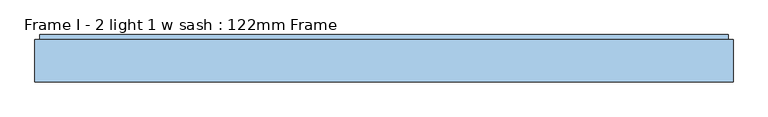
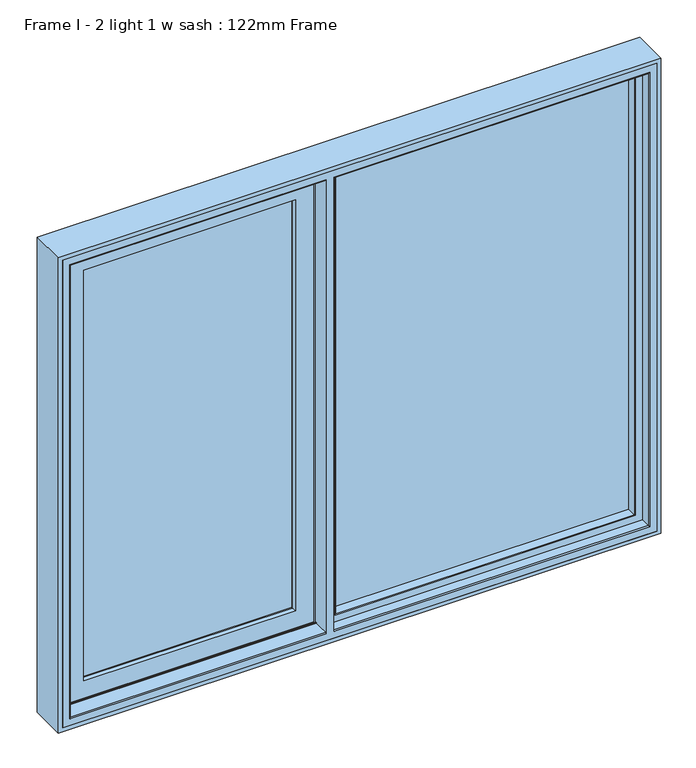
"""IFC4 building model written with IfcOpenShell, lengths in millimetres: window geometry, Frame I - 2 light 1 w sash : 122mm Frame."""

import ifcopenshell
import ifcopenshell.guid

model = None  # the IFC model being written
_history = None  # IfcOwnerHistory: only IFC2X3 demands one
_inside = {}  # id of a spatial element -> (the spatial element, [elements in it])
_under = {}  # id of a project, library or spatial element -> (it, [spatial elements below it])
_declared = {}  # id of a project -> (the project, [libraries it declares])
_typed = {}  # id of a type object -> (the type object, [elements of that type])
_made_of = {}  # id of a material, layer set ... -> (it, [elements and type objects made of it])


def new_model(schema):
    """Start an empty IFC model of exactly this schema.

    Asked for "IFC4X3", IfcOpenShell would pick the latest addendum, in which some entities
    have other attributes; the version numbers below select the first issue.
    IFC2X3 requires an IfcOwnerHistory on every rooted entity: one is made here for all.
    """
    global model, _history
    if schema == "IFC4X3":
        model = ifcopenshell.file(schema_version=(4, 3, 0, 0))
    else:
        model = ifcopenshell.file(schema=schema)
    _inside.clear()
    _under.clear()
    _declared.clear()
    _typed.clear()
    _made_of.clear()
    _history = None
    if model.schema == "IFC2X3":
        org = make("IfcOrganization", Name="unknown")
        user = make(
            "IfcPersonAndOrganization",
            ThePerson=make("IfcPerson", FamilyName="unknown"),
            TheOrganization=org,
        )
        app = make(
            "IfcApplication",
            ApplicationDeveloper=org,
            Version="unknown",
            ApplicationFullName="unknown",
            ApplicationIdentifier="unknown",
        )
        _history = make(
            "IfcOwnerHistory",
            OwningUser=user,
            OwningApplication=app,
            ChangeAction="ADDED",
            CreationDate=0,
        )
    return model


def make(cls, **values):
    """One entity of the class cls with the attributes given. An attribute that is None is left unset."""
    return model.create_entity(
        cls, **{name: value for name, value in values.items() if value is not None}
    )


def rooted(cls, **values):
    """An entity with a GlobalId (a new one), such as an element, a storey or a relation."""
    return make(cls, GlobalId=ifcopenshell.guid.new(), OwnerHistory=_history, **values)


def si_unit(unit_type, name, prefix=None):
    """IfcSIUnit, for example si_unit("LENGTHUNIT", "METRE", prefix="MILLI")."""
    return make("IfcSIUnit", UnitType=unit_type, Prefix=prefix, Name=name)


def assignment(units):
    """IfcUnitAssignment: the units of a project."""
    return None if units is None else make("IfcUnitAssignment", Units=units)


def point(xyz):
    """IfcCartesianPoint."""
    return None if xyz is None else make("IfcCartesianPoint", Coordinates=xyz)


def direction(xyz):
    """IfcDirection."""
    return None if xyz is None else make("IfcDirection", DirectionRatios=xyz)


def frame(location, z_axis=None, x_axis=None):
    """IfcAxis2Placement3D, a coordinate frame: its origin and axes. An axis left out is left unset."""
    return make(
        "IfcAxis2Placement3D",
        Location=point(location),
        Axis=direction(z_axis),
        RefDirection=direction(x_axis),
    )


def origin():
    """The frame at (0, 0, 0) with its axes left unset."""
    return frame((0.0, 0.0, 0.0))


def place(relative_to, where):
    """IfcLocalPlacement: puts the frame where relative to a parent placement (None: the world)."""
    return make(
        "IfcLocalPlacement", PlacementRelTo=relative_to, RelativePlacement=where
    )


def context(
    kind, dimensions, precision=None, world=None, true_north=None, identifier=None
):
    """IfcGeometricRepresentationContext, for example the 3D "Model" context."""
    return make(
        "IfcGeometricRepresentationContext",
        ContextIdentifier=identifier,
        ContextType=kind,
        CoordinateSpaceDimension=dimensions,
        Precision=precision,
        WorldCoordinateSystem=world,
        TrueNorth=true_north,
    )


def project(units=None, contexts=None):
    """IfcProject with its units and contexts."""
    return rooted(
        "IfcProject",
        Name="project",
        RepresentationContexts=contexts,
        UnitsInContext=assignment(units),
    )


def spatial(cls, under=None, at=None, **own):
    """A site, building, storey or space (cls), placed at a placement, below another one or the project."""
    s = rooted(cls, ObjectPlacement=at, **own)
    if under is not None:
        _under.setdefault(under.id(), (under, []))[1].append(s)
    return s


def polyline(points):
    """IfcPolyline through the points."""
    return make("IfcPolyline", Points=[point(p) for p in points])


def circle_curve(where, radius):
    """IfcCircle in the frame where."""
    return make("IfcCircle", Position=where, Radius=radius)


def ellipse_curve(where, semi_axis1, semi_axis2):
    """IfcEllipse in the frame where."""
    return make(
        "IfcEllipse", Position=where, SemiAxis1=semi_axis1, SemiAxis2=semi_axis2
    )


def outline(outer, holes=None, kind="AREA"):
    """IfcArbitraryClosedProfileDef: a profile drawn as a closed curve; with holes, ...WithVoids."""
    if holes is None:
        return make("IfcArbitraryClosedProfileDef", ProfileType=kind, OuterCurve=outer)
    return make(
        "IfcArbitraryProfileDefWithVoids",
        ProfileType=kind,
        OuterCurve=outer,
        InnerCurves=holes,
    )


def extrude(swept, where, along, depth):
    """IfcExtrudedAreaSolid: the profile swept, set in the frame where, extruded along a direction by depth."""
    return make(
        "IfcExtrudedAreaSolid",
        SweptArea=swept,
        Position=where,
        ExtrudedDirection=direction(along),
        Depth=depth,
    )


def shape(context_of_items, identifier, shape_type, items):
    """IfcShapeRepresentation: the items that make up one representation, for example the "Body"."""
    return make(
        "IfcShapeRepresentation",
        ContextOfItems=context_of_items,
        RepresentationIdentifier=identifier,
        RepresentationType=shape_type,
        Items=items,
    )


def source(mapping_origin, context_of_items, identifier, shape_type, items):
    """IfcRepresentationMap: a shape defined once, which mapped items show again and again."""
    return make(
        "IfcRepresentationMap",
        MappingOrigin=mapping_origin,
        MappedRepresentation=shape(context_of_items, identifier, shape_type, items),
    )


def transform(
    local_origin,
    x_axis=None,
    y_axis=None,
    z_axis=None,
    scale=None,
    scale2=None,
    scale3=None,
    uniform=True,
):
    """IfcCartesianTransformationOperator3D, or its non-uniform kind. x_axis, y_axis, z_axis: its Axis1, 2, 3."""
    if uniform:
        return make(
            "IfcCartesianTransformationOperator3D",
            Axis1=direction(x_axis),
            Axis2=direction(y_axis),
            LocalOrigin=point(local_origin),
            Scale=scale,
            Axis3=direction(z_axis),
        )
    return make(
        "IfcCartesianTransformationOperator3DnonUniform",
        Axis1=direction(x_axis),
        Axis2=direction(y_axis),
        LocalOrigin=point(local_origin),
        Scale=scale,
        Axis3=direction(z_axis),
        Scale2=scale2,
        Scale3=scale3,
    )


def mapped(mapping_source, mapping_target):
    """IfcMappedItem: shows the shape of a source again, moved by a transform."""
    return make(
        "IfcMappedItem", MappingSource=mapping_source, MappingTarget=mapping_target
    )


def made_of(thing, what):
    """Note that an element or type object is made of a material, layer set ...; save() writes the relation."""
    if what is not None:
        _made_of.setdefault(what.id(), (what, []))[1].append(thing)
    return thing


def element(
    cls,
    number,
    at=None,
    inside=None,
    cuts=None,
    type_object=None,
    material=None,
    context=None,
    identifier="Body",
    shape_type=None,
    held_by="IfcProductDefinitionShape",
    body=None,
    shapes=None,
    **own,
):
    """One element of the class cls, such as IfcWall. Its Tag is "e" and its number.

    at: its placement. inside: the storey or other place that contains it. cuts: it is an
    opening in that element (IfcRelVoidsElement). A single representation is given by context,
    identifier, shape_type and body (its items); several are given by shapes. held_by: the class
    of the entity that holds the representations. save() writes the other relations.
    """
    e = rooted(cls, Tag="e%d" % number, ObjectPlacement=at, **own)
    if body is not None:
        shapes = [shape(context, identifier, shape_type, body)]
    if shapes is not None:
        e.Representation = make(held_by, Representations=shapes)
    if inside is not None:
        _inside.setdefault(inside.id(), (inside, []))[1].append(e)
    if cuts is not None:
        rooted(
            "IfcRelVoidsElement", RelatingBuildingElement=cuts, RelatedOpeningElement=e
        )
    if type_object is not None:
        _typed.setdefault(type_object.id(), (type_object, []))[1].append(e)
    return made_of(e, material)


def aggregate(whole, parts):
    """IfcRelAggregates: a whole, such as a stair, and the parts it consists of."""
    return rooted("IfcRelAggregates", RelatingObject=whole, RelatedObjects=parts)


def save(model, path):
    """Write the relations noted so far, then the file.

    IfcRelAggregates (storeys below a building ...), IfcRelContainedInSpatialStructure (elements
    in a storey), IfcRelDefinesByType, IfcRelAssociatesMaterial and IfcRelDeclares: one each for
    every whole, place, type object, material and project.
    """
    for whole, parts in _under.values():
        aggregate(whole, parts)
    for where, things in _inside.values():
        rooted(
            "IfcRelContainedInSpatialStructure",
            RelatedElements=things,
            RelatingStructure=where,
        )
    for kind, things in _typed.values():
        rooted("IfcRelDefinesByType", RelatedObjects=things, RelatingType=kind)
    for what, things in _made_of.values():
        rooted("IfcRelAssociatesMaterial", RelatedObjects=things, RelatingMaterial=what)
    for by, libraries in _declared.values():
        rooted("IfcRelDeclares", RelatingContext=by, RelatedDefinitions=libraries)
    model.write(path)


def plane_surface(at):
    """IfcPlane: the flat surface through the origin of the frame at, square to its z axis."""
    return make("IfcPlane", Position=at)


def cylinder_surface(at, radius):
    """IfcCylindricalSurface: all points at the distance radius from the z axis of the frame at."""
    return make("IfcCylindricalSurface", Position=at, Radius=radius)


def revolved_surface(curve, axis_point, axis_direction):
    """IfcSurfaceOfRevolution: the curve turned about the line through axis_point along axis_direction."""
    return make(
        "IfcSurfaceOfRevolution",
        SweptCurve=make("IfcArbitraryOpenProfileDef", ProfileType="CURVE", Curve=curve),
        AxisPosition=make("IfcAxis1Placement", Location=point(axis_point), Axis=direction(axis_direction)),
    )


def advanced_brep(points, edges, surfaces, faces):
    """IfcAdvancedBrep: a solid bounded by faces that lie on surfaces and meet in shared edges.

    An edge is (start, end): straight between two places in points (the first is 0);
    or (start, end, curve); or (start, end, curve, False) where it runs against its curve.
    A face is (place in surfaces, loops), or (place, loops, False) where it looks against
    its surface's normal. A loop lists edges by number (the first is 1), with a minus sign
    where the edge is run from its end to its start. The first loop is the outer one.
    """
    corners = [point(p) for p in points]
    vertices = [make("IfcVertexPoint", VertexGeometry=c) for c in corners]
    made = []
    for start, end, *more in edges:
        made.append(
            make(
                "IfcEdgeCurve",
                EdgeStart=vertices[start],
                EdgeEnd=vertices[end],
                EdgeGeometry=more[0] if more else make("IfcPolyline", Points=[corners[start], corners[end]]),
                SameSense=more[1] if len(more) > 1 else True,
            )
        )
    hull = []
    for where, loops, *sense in faces:
        bounds = []
        for j, loop in enumerate(loops):
            ring = [make("IfcOrientedEdge", EdgeElement=made[abs(k) - 1], Orientation=k > 0) for k in loop]
            bounds.append(
                make(
                    "IfcFaceOuterBound" if j == 0 else "IfcFaceBound",
                    Bound=make("IfcEdgeLoop", EdgeList=ring),
                    Orientation=True,
                )
            )
        hull.append(make("IfcAdvancedFace", Bounds=bounds, FaceSurface=surfaces[where], SameSense=sense[0] if sense else True))
    return make("IfcAdvancedBrep", Outer=make("IfcClosedShell", CfsFaces=hull))


def frame_i_2_light_1_w_sash_122mm_frame_d89b4c98(model_context):
    return source(origin(), model_context, "Body", "SolidModel", [
        extrude(outline(polyline([(-809.6, 141.0), (-154.0, 141.0), (-154.0, 93.0), (-809.6, 93.0), (-809.6, 141.0)])), frame((0.0, 0.0, 890.0), z_axis=(0.0, 0.0, 1.0), x_axis=(1.0, 0.0, 0.0)), (0.0, 0.0, 1.0), 1319.6),
        advanced_brep(
        [(-131.6001533, 153.0, 2232.3998467), (-131.6001533, 148.4070391, 2232.3998467), (-131.6001533, 148.4070391, 867.6001533), (-131.6001533, 153.0, 867.6001533), (-126.3260611, 139.5531262, 2237.6739389), (-126.3260611, 139.5531262, 862.3260611), (-832.3998467, 148.4070391, 867.6001533), (-832.3998467, 153.0, 867.6001533), (-832.3998467, 153.0, 2232.3998467), (-151.0368924, 153.0, 2212.9631076), (-812.9631076, 153.0, 2212.9631076), (-812.9631076, 153.0, 887.0368924), (-151.0368924, 153.0, 887.0368924), (-124.4866045, 139.5531262, 860.4866045), (-839.5133955, 139.5531262, 860.4866045), (-839.5133955, 139.5531262, 2239.5133955), (-124.4866045, 139.5531262, 2239.5133955), (-837.6739389, 139.5531262, 2237.6739389), (-837.6739389, 139.5531262, 862.3260611), (-124.4866045, 121.0, 2239.5133955), (-124.4866045, 121.0, 860.4866045), (-114.4866045, 121.0, 850.4866045), (-849.5133955, 121.0, 850.4866045), (-849.5133955, 121.0, 2249.5133955), (-114.4866045, 121.0, 2249.5133955), (-839.5133955, 121.0, 2239.5133955), (-839.5133955, 121.0, 860.4866045), (-114.4866045, 88.5, 2249.5133955), (-114.4866045, 88.5, 850.4866045), (-103.7023001, 88.5, 839.7023), (-860.2977, 88.5, 839.7023), (-860.2977, 88.5, 2260.2977), (-103.7023001, 88.5, 2260.2977), (-849.5133955, 88.5, 2249.5133955), (-849.5133955, 88.5, 850.4866045), (-103.7023001, 83.5, 2260.2977), (-103.7023001, 83.5, 839.7023), (-860.2977, 83.5, 2260.2977), (-860.2977, 83.5, 839.7023), (-110.5, 83.5, 846.5), (-853.5, 83.5, 846.5), (-853.5, 83.5, 2253.5), (-110.5, 83.5, 2253.5), (-110.5, 78.0, 2253.5), (-110.5, 78.0, 846.5), (-853.5, 78.0, 2253.5), (-853.5, 78.0, 846.5), (-165.6842184, 78.0, 901.6842184), (-798.3157816, 78.0, 901.6842184), (-798.3157816, 78.0, 2198.3157816), (-165.6842184, 78.0, 2198.3157816), (-167.9996933, 88.8934531, 2196.0003067), (-167.9996933, 88.8934531, 903.9996933), (-167.9996933, 93.0, 2196.0003067), (-167.9996933, 93.0, 903.9996933), (-796.0003067, 88.8934531, 903.9996933), (-154.0, 93.0, 890.0), (-810.0, 93.0, 890.0), (-810.0, 93.0, 2210.0), (-154.0, 93.0, 2210.0), (-796.0003067, 93.0, 2196.0003067), (-796.0003067, 93.0, 903.9996933), (-154.0, 141.0, 2210.0), (-154.0, 141.0, 890.0), (-810.0, 141.0, 2210.0), (-810.0, 141.0, 890.0), (-168.4121514, 141.0, 904.4121514), (-795.5878486, 141.0, 904.4121514), (-795.5878486, 141.0, 2195.5878486), (-168.4121514, 141.0, 2195.5878486), (-164.7433832, 153.0, 2199.2566168), (-164.7433832, 153.0, 900.7433832), (-157.9650956, 153.0, 893.9650956), (-806.0349044, 153.0, 893.9650956), (-806.0349044, 153.0, 2206.0349044), (-157.9650956, 153.0, 2206.0349044), (-799.2566168, 153.0, 2199.2566168), (-799.2566168, 153.0, 900.7433832), (-156.6660575, 152.25, 2207.3339425), (-156.6660575, 152.25, 892.6660575), (-152.3359305, 152.25, 2211.6640695), (-152.3359305, 152.25, 888.3359305), (-807.3339425, 152.25, 892.6660575), (-811.6640695, 152.25, 888.3359305), (-832.3998467, 148.4070391, 2232.3998467), (-796.0003067, 88.8934531, 2196.0003067), (-807.3339425, 152.25, 2207.3339425), (-811.6640695, 152.25, 2211.6640695)],
        [
            (0, 1),
            (1, 2),
            (2, 3),
            (3, 0),
            (1, 4),
            (4, 5),
            (5, 2),
            (2, 6),
            (6, 7),
            (7, 3),
            (7, 8),
            (8, 0),
            (9, 10),
            (10, 11),
            (11, 12),
            (12, 9),
            (13, 14),
            (14, 15),
            (15, 16),
            (16, 13),
            (4, 17),
            (17, 18),
            (18, 5),
            (18, 6),
            (16, 19),
            (19, 20),
            (20, 13),
            (21, 22),
            (22, 23),
            (23, 24),
            (24, 21),
            (19, 25),
            (25, 26),
            (26, 20),
            (26, 14),
            (24, 27),
            (27, 28),
            (28, 21),
            (29, 30),
            (30, 31),
            (31, 32),
            (32, 29),
            (27, 33),
            (33, 34),
            (34, 28),
            (34, 22),
            (32, 35),
            (35, 36),
            (36, 29),
            (35, 37),
            (37, 38),
            (38, 36),
            (39, 40),
            (40, 41),
            (41, 42),
            (42, 39),
            (38, 30),
            (42, 43),
            (43, 44),
            (44, 39),
            (43, 45),
            (45, 46),
            (46, 44),
            (47, 48),
            (48, 49),
            (49, 50),
            (50, 47),
            (46, 40),
            (50, 51),
            (51, 52),
            (52, 47),
            (51, 53),
            (53, 54),
            (54, 52),
            (52, 55),
            (55, 48),
            (56, 57),
            (57, 58),
            (58, 59),
            (59, 56),
            (53, 60),
            (60, 61),
            (61, 54),
            (61, 55),
            (59, 62),
            (62, 63),
            (63, 56),
            (62, 64),
            (64, 65),
            (65, 63),
            (66, 67),
            (67, 68),
            (68, 69),
            (69, 66),
            (65, 57),
            (69, 70),
            (70, 71),
            (71, 66),
            (72, 73),
            (73, 74),
            (74, 75),
            (75, 72),
            (70, 76),
            (76, 77),
            (77, 71),
            (77, 67),
            (75, 78, ellipse_curve(frame((-157.9650956, 151.5, 2206.0349044), z_axis=(0.7071067811865475, 0.0, -0.7071067811865475), x_axis=(0.7071067811865474, 0.0, 0.7071067811865476)), 2.1213203, 1.5)),
            (78, 79),
            (79, 72, ellipse_curve(frame((-157.9650956, 151.5, 893.9650956), z_axis=(0.7071067811865475, 0.0, 0.7071067811865475), x_axis=(-0.7071067811865474, 0.0, 0.7071067811865476)), 2.1213203, 1.5)),
            (78, 80, ellipse_curve(frame((-154.500994, 153.5, 2209.499006), z_axis=(-0.7071067811865475, 0.0, 0.7071067811865475), x_axis=(-0.7071067811865474, 0.0, -0.7071067811865476)), 3.5355339, 2.5)),
            (80, 81),
            (81, 79, ellipse_curve(frame((-154.500994, 153.5, 890.500994), z_axis=(-0.7071067811865475, 0.0, -0.7071067811865475), x_axis=(0.7071067811865474, 0.0, -0.7071067811865476)), 3.5355339, 2.5)),
            (79, 82),
            (82, 73, ellipse_curve(frame((-806.0349044, 151.5, 893.9650956), z_axis=(0.7071067811865475, 0.0, -0.7071067811865475), x_axis=(0.7071067811865476, 0.0, 0.7071067811865474)), 2.1213203, 1.5)),
            (80, 9, ellipse_curve(frame((-151.0368924, 151.5, 2212.9631076), z_axis=(0.7071067811865475, 0.0, -0.7071067811865475), x_axis=(0.7071067811865474, 0.0, 0.7071067811865476)), 2.1213203, 1.5)),
            (12, 81, ellipse_curve(frame((-151.0368924, 151.5, 887.0368924), z_axis=(0.7071067811865475, 0.0, 0.7071067811865475), x_axis=(-0.7071067811865474, 0.0, 0.7071067811865476)), 2.1213203, 1.5)),
            (81, 83),
            (83, 82, ellipse_curve(frame((-809.499006, 153.5, 890.500994), z_axis=(-0.7071067811865475, 0.0, 0.7071067811865475), x_axis=(-0.7071067811865476, 0.0, -0.7071067811865474)), 3.5355339, 2.5)),
            (11, 83, ellipse_curve(frame((-812.9631076, 151.5, 887.0368924), z_axis=(0.7071067811865475, 0.0, -0.7071067811865475), x_axis=(0.7071067811865476, 0.0, 0.7071067811865474)), 2.1213203, 1.5)),
            (6, 84),
            (84, 8),
            (17, 84),
            (25, 15),
            (33, 23),
            (37, 31),
            (45, 41),
            (55, 85),
            (85, 49),
            (60, 85),
            (64, 58),
            (76, 68),
            (82, 86),
            (86, 74, ellipse_curve(frame((-806.0349044, 151.5, 2206.0349044), z_axis=(-0.7071067811865475, 0.0, -0.7071067811865475), x_axis=(0.7071067811865474, 0.0, -0.7071067811865476)), 2.1213203, 1.5)),
            (83, 87),
            (87, 86, ellipse_curve(frame((-809.499006, 153.5, 2209.499006), z_axis=(0.7071067811865475, 0.0, 0.7071067811865475), x_axis=(-0.7071067811865474, 0.0, 0.7071067811865476)), 3.5355339, 2.5)),
            (10, 87, ellipse_curve(frame((-812.9631076, 151.5, 2212.9631076), z_axis=(-0.7071067811865475, 0.0, -0.7071067811865475), x_axis=(0.7071067811865474, 0.0, -0.7071067811865476)), 2.1213203, 1.5)),
            (84, 1),
            (85, 51),
            (86, 78),
            (87, 80),
        ],
        [
            plane_surface(frame((-131.6001533, 148.4070391, 2232.3998467), z_axis=(1.0, 0.0, 0.0), x_axis=(0.0, 0.0, -1.0))),
            plane_surface(frame((-126.3260611, 139.5531262, 2237.6739389), z_axis=(0.8591262587254928, 0.5117636872310675, 0.0), x_axis=(0.0, 0.0, -1.0))),
            plane_surface(frame((-131.6001533, 148.4070391, 867.6001533), z_axis=(0.0, 0.0, -1.0), x_axis=(-1.0, 0.0, 0.0))),
            plane_surface(frame((-832.3998467, 153.0, 2232.3998467), z_axis=(0.0, 1.0, 0.0), x_axis=(1.0, 0.0, 0.0))),
            plane_surface(frame((-839.5133955, 139.5531262, 2239.5133955), z_axis=(0.0, 1.0, 0.0), x_axis=(1.0, 0.0, 0.0))),
            plane_surface(frame((-126.3260611, 139.5531262, 862.3260611), z_axis=(0.0, 0.5117636872310675, -0.8591262587254928), x_axis=(-1.0, 0.0, 0.0))),
            plane_surface(frame((-124.4866045, 121.0, 2239.5133955), z_axis=(1.0, 0.0, 0.0), x_axis=(0.0, 0.0, -1.0))),
            plane_surface(frame((-849.5133955, 121.0, 2249.5133955), z_axis=(0.0, 1.0, 0.0), x_axis=(1.0, 0.0, 0.0))),
            plane_surface(frame((-124.4866045, 121.0, 860.4866045), z_axis=(0.0, 0.0, -1.0), x_axis=(-1.0, 0.0, 0.0))),
            plane_surface(frame((-114.4866045, 88.5, 2249.5133955), z_axis=(1.0, 0.0, 0.0), x_axis=(0.0, 0.0, -1.0))),
            plane_surface(frame((-860.2977, 88.5, 2260.2977), z_axis=(0.0, 1.0, 0.0), x_axis=(1.0, 0.0, 0.0))),
            plane_surface(frame((-114.4866045, 88.5, 850.4866045), z_axis=(0.0, 0.0, -1.0), x_axis=(-1.0, 0.0, 0.0))),
            plane_surface(frame((-103.7023001, 83.5, 2260.2977), z_axis=(1.0, 0.0, 0.0), x_axis=(0.0, 0.0, -1.0))),
            plane_surface(frame((-853.5, 83.5, 2253.5), z_axis=(0.0, -1.0, 0.0), x_axis=(1.0, 0.0, 0.0))),
            plane_surface(frame((-103.7023001, 83.5, 839.7023), z_axis=(0.0, 0.0, -1.0), x_axis=(-1.0, 0.0, 0.0))),
            plane_surface(frame((-110.5, 78.0, 2253.5), z_axis=(1.0, 0.0, 0.0), x_axis=(0.0, 0.0, -1.0))),
            plane_surface(frame((-798.3157816, 78.0, 2198.3157816), z_axis=(0.0, -1.0, 0.0), x_axis=(1.0, 0.0, 0.0))),
            plane_surface(frame((-110.5, 78.0, 846.5), z_axis=(0.0, 0.0, -1.0), x_axis=(-1.0, 0.0, 0.0))),
            plane_surface(frame((-167.9996933, 88.8934531, 2196.0003067), z_axis=(-0.9781476007338059, -0.20791169081775832, 0.0), x_axis=(0.0, 0.0, -1.0))),
            plane_surface(frame((-167.9996933, 93.0, 2196.0003067), z_axis=(-1.0, 0.0, 0.0), x_axis=(0.0, 0.0, -1.0))),
            plane_surface(frame((-167.9996933, 88.8934531, 903.9996933), z_axis=(0.0, -0.20791169081775832, 0.9781476007338059), x_axis=(-1.0, 0.0, 0.0))),
            plane_surface(frame((-810.0, 93.0, 2210.0), z_axis=(0.0, 1.0, 0.0), x_axis=(1.0, 0.0, 0.0))),
            plane_surface(frame((-167.9996933, 93.0, 903.9996933), z_axis=(0.0, 0.0, 1.0), x_axis=(-1.0, 0.0, 0.0))),
            plane_surface(frame((-154.0, 141.0, 2210.0), z_axis=(-1.0, 0.0, 0.0), x_axis=(0.0, 0.0, -1.0))),
            plane_surface(frame((-795.5878486, 141.0, 2195.5878486), z_axis=(0.0, -1.0, 0.0), x_axis=(1.0, 0.0, 0.0))),
            plane_surface(frame((-154.0, 141.0, 890.0), z_axis=(0.0, 0.0, 1.0), x_axis=(-1.0, 0.0, 0.0))),
            plane_surface(frame((-164.7433832, 153.0, 2199.2566168), z_axis=(-0.9563047559629767, 0.29237170472292917, 0.0), x_axis=(0.0, 0.0, -1.0))),
            plane_surface(frame((-806.0349044, 153.0, 2206.0349044), z_axis=(0.0, 1.0, 0.0), x_axis=(1.0, 0.0, 0.0))),
            plane_surface(frame((-164.7433832, 153.0, 900.7433832), z_axis=(0.0, 0.29237170472292917, 0.9563047559629767), x_axis=(-1.0, 0.0, 0.0))),
            cylinder_surface(frame((-157.9650956, 151.5, 2237.6), z_axis=(0.0, 0.0, 1.0), x_axis=(0.0, 1.0, 0.0)), 1.5),
            revolved_surface(polyline([(-154.500994, 156.0, 888.000994004195), (-154.500994, 156.0, 2211.999005995805)]), (-154.500994, 153.5, 2237.6), (0.0, 0.0, -1.0)),
            cylinder_surface(frame((-126.4, 151.5, 893.9650956), z_axis=(1.0, 0.0, 0.0), x_axis=(0.0, 1.0, 0.0)), 1.5),
            cylinder_surface(frame((-151.0368924, 151.5, 2237.6), z_axis=(0.0, 0.0, 1.0), x_axis=(0.0, 1.0, 0.0)), 1.5),
            revolved_surface(polyline([(-811.999005995805, 156.0, 890.500994), (-152.00099400419506, 156.0, 890.500994)]), (-126.4, 153.5, 890.500994), (-1.0, 0.0, 0.0)),
            cylinder_surface(frame((-126.4, 151.5, 887.0368924), z_axis=(1.0, 0.0, 0.0), x_axis=(0.0, 1.0, 0.0)), 1.5),
            plane_surface(frame((-832.3998467, 148.4070391, 867.6001533), z_axis=(-1.0, 0.0, 0.0), x_axis=(0.0, 0.0, 1.0))),
            plane_surface(frame((-837.6739389, 139.5531262, 862.3260611), z_axis=(-0.8591262587254928, 0.5117636872310675, 0.0), x_axis=(0.0, 0.0, 1.0))),
            plane_surface(frame((-839.5133955, 121.0, 860.4866045), z_axis=(-1.0, 0.0, 0.0), x_axis=(0.0, 0.0, 1.0))),
            plane_surface(frame((-849.5133955, 88.5, 850.4866045), z_axis=(-1.0, 0.0, 0.0), x_axis=(0.0, 0.0, 1.0))),
            plane_surface(frame((-860.2977, 83.5, 839.7023), z_axis=(-1.0, 0.0, 0.0), x_axis=(0.0, 0.0, 1.0))),
            plane_surface(frame((-853.5, 78.0, 846.5), z_axis=(-1.0, 0.0, 0.0), x_axis=(0.0, 0.0, 1.0))),
            plane_surface(frame((-796.0003067, 88.8934531, 903.9996933), z_axis=(0.9781476007338059, -0.20791169081775832, 0.0), x_axis=(0.0, 0.0, 1.0))),
            plane_surface(frame((-796.0003067, 93.0, 903.9996933), z_axis=(1.0, 0.0, 0.0), x_axis=(0.0, 0.0, 1.0))),
            plane_surface(frame((-810.0, 141.0, 890.0), z_axis=(1.0, 0.0, 0.0), x_axis=(0.0, 0.0, 1.0))),
            plane_surface(frame((-799.2566168, 153.0, 900.7433832), z_axis=(0.9563047559629767, 0.29237170472292917, 0.0), x_axis=(0.0, 0.0, 1.0))),
            cylinder_surface(frame((-806.0349044, 151.5, 862.4), z_axis=(0.0, 0.0, -1.0), x_axis=(0.0, 1.0, 0.0)), 1.5),
            revolved_surface(polyline([(-809.499006, 156.0, 2211.999005995805), (-809.499006, 156.0, 888.000994004195)]), (-809.499006, 153.5, 862.4), (0.0, 0.0, 1.0)),
            cylinder_surface(frame((-812.9631076, 151.5, 862.4), z_axis=(0.0, 0.0, -1.0), x_axis=(0.0, 1.0, 0.0)), 1.5),
            plane_surface(frame((-832.3998467, 148.4070391, 2232.3998467), z_axis=(0.0, 0.0, 1.0), x_axis=(1.0, 0.0, 0.0))),
            plane_surface(frame((-837.6739389, 139.5531262, 2237.6739389), z_axis=(0.0, 0.5117636872310675, 0.8591262587254928), x_axis=(1.0, 0.0, 0.0))),
            plane_surface(frame((-839.5133955, 121.0, 2239.5133955), z_axis=(0.0, 0.0, 1.0), x_axis=(1.0, 0.0, 0.0))),
            plane_surface(frame((-849.5133955, 88.5, 2249.5133955), z_axis=(0.0, 0.0, 1.0), x_axis=(1.0, 0.0, 0.0))),
            plane_surface(frame((-860.2977, 83.5, 2260.2977), z_axis=(0.0, 0.0, 1.0), x_axis=(1.0, 0.0, 0.0))),
            plane_surface(frame((-853.5, 78.0, 2253.5), z_axis=(0.0, 0.0, 1.0), x_axis=(1.0, 0.0, 0.0))),
            plane_surface(frame((-796.0003067, 88.8934531, 2196.0003067), z_axis=(0.0, -0.20791169081775832, -0.9781476007338059), x_axis=(1.0, 0.0, 0.0))),
            plane_surface(frame((-796.0003067, 93.0, 2196.0003067), z_axis=(0.0, 0.0, -1.0), x_axis=(1.0, 0.0, 0.0))),
            plane_surface(frame((-810.0, 141.0, 2210.0), z_axis=(0.0, 0.0, -1.0), x_axis=(1.0, 0.0, 0.0))),
            plane_surface(frame((-799.2566168, 153.0, 2199.2566168), z_axis=(0.0, 0.29237170472292917, -0.9563047559629767), x_axis=(1.0, 0.0, 0.0))),
            cylinder_surface(frame((-837.6, 151.5, 2206.0349044), z_axis=(-1.0, 0.0, 0.0), x_axis=(0.0, 1.0, 0.0)), 1.5),
            revolved_surface(polyline([(-152.00099400419504, 156.0, 2209.499006), (-811.999005995805, 156.0, 2209.499006)]), (-837.6, 153.5, 2209.499006), (1.0, 0.0, 0.0)),
            cylinder_surface(frame((-837.6, 151.5, 2212.9631076), z_axis=(-1.0, 0.0, 0.0), x_axis=(0.0, 1.0, 0.0)), 1.5),
        ],
        [
            (0, [[1, 2, 3, 4]]),
            (1, [[5, 6, 7, -2]]),
            (2, [[-3, 8, 9, 10]]),
            (3, [[-10, 11, 12, -4], [13, 14, 15, 16]]),
            (4, [[17, 18, 19, 20], [21, 22, 23, -6]]),
            (5, [[-7, -23, 24, -8]]),
            (6, [[25, 26, 27, -20]]),
            (7, [[28, 29, 30, 31], [32, 33, 34, -26]]),
            (8, [[-27, -34, 35, -17]]),
            (9, [[36, 37, 38, -31]]),
            (10, [[39, 40, 41, 42], [43, 44, 45, -37]]),
            (11, [[-38, -45, 46, -28]]),
            (12, [[47, 48, 49, -42]]),
            (13, [[50, 51, 52, -48], [53, 54, 55, 56]]),
            (14, [[-49, -52, 57, -39]]),
            (15, [[58, 59, 60, -56]]),
            (16, [[61, 62, 63, -59], [64, 65, 66, 67]]),
            (17, [[-60, -63, 68, -53]]),
            (18, [[69, 70, 71, -67]]),
            (19, [[72, 73, 74, -70]]),
            (20, [[-71, 75, 76, -64]]),
            (21, [[77, 78, 79, 80], [81, 82, 83, -73]]),
            (22, [[-74, -83, 84, -75]]),
            (23, [[85, 86, 87, -80]]),
            (24, [[88, 89, 90, -86], [91, 92, 93, 94]]),
            (25, [[-87, -90, 95, -77]]),
            (26, [[96, 97, 98, -94]]),
            (27, [[99, 100, 101, 102], [103, 104, 105, -97]]),
            (28, [[-98, -105, 106, -91]]),
            (29, [[107, 108, 109, -102]]),
            (30, [[110, 111, 112, -108]]),
            (31, [[-109, 113, 114, -99]]),
            (32, [[115, -16, 116, -111]]),
            (33, [[-112, 117, 118, -113]]),
            (34, [[-116, -15, 119, -117]]),
            (35, [[-9, 120, 121, -11]]),
            (36, [[-24, -22, 122, -120]]),
            (37, [[-35, -33, 123, -18]]),
            (38, [[-46, -44, 124, -29]]),
            (39, [[-57, -51, 125, -40]]),
            (40, [[-68, -62, 126, -54]]),
            (41, [[-76, 127, 128, -65]]),
            (42, [[-84, -82, 129, -127]]),
            (43, [[-95, -89, 130, -78]]),
            (44, [[-106, -104, 131, -92]]),
            (45, [[-114, 132, 133, -100]]),
            (46, [[-118, 134, 135, -132]]),
            (47, [[-119, -14, 136, -134]]),
            (48, [[-121, 137, -1, -12]]),
            (49, [[-122, -21, -5, -137]]),
            (50, [[-123, -32, -25, -19]]),
            (51, [[-124, -43, -36, -30]]),
            (52, [[-125, -50, -47, -41]]),
            (53, [[-126, -61, -58, -55]]),
            (54, [[-128, 138, -69, -66]]),
            (55, [[-129, -81, -72, -138]]),
            (56, [[-130, -88, -85, -79]]),
            (57, [[-131, -103, -96, -93]]),
            (58, [[-133, 139, -107, -101]]),
            (59, [[-135, 140, -110, -139]]),
            (60, [[-136, -13, -115, -140]]),
        ],
    ),
        extrude(outline(polyline([(-63.8, 141.0), (852.6, 141.0), (852.6, 93.0), (-63.8, 93.0), (-63.8, 141.0)])), frame((0.0, 0.0, 847.4), z_axis=(0.0, 0.0, 1.0), x_axis=(1.0, 0.0, 0.0)), (0.0, 0.0, 1.0), 1405.2),
        advanced_brep(
        [(840.9078547, 66.2562613, 2240.9078547), (837.8697056, 91.0, 2237.8697056), (837.8697056, 91.0, 862.1302944), (840.9078547, 66.2562613, 859.0921453), (861.5, 91.0, 838.5), (-73.5, 91.0, 838.5), (-73.5, 91.0, 2261.5), (861.5, 91.0, 2261.5), (-49.8697056, 91.0, 2237.8697056), (-49.8697056, 91.0, 862.1302944), (-52.9078547, 66.2562613, 859.0921453), (842.892947, 64.5, 2242.892947), (842.892947, 64.5, 857.107053), (861.5, 82.0, 2261.5), (861.5, 82.0, 838.5), (864.0, 82.0, 836.0), (-76.0, 82.0, 836.0), (-76.0, 82.0, 2264.0), (864.0, 82.0, 2264.0), (-73.5, 82.0, 2261.5), (-73.5, 82.0, 838.5), (864.0, 64.5, 2264.0), (864.0, 64.5, 836.0), (-76.0, 64.5, 2264.0), (-76.0, 64.5, 836.0), (-54.892947, 64.5, 857.107053), (-54.892947, 64.5, 2242.892947), (-52.9078547, 66.2562613, 2240.9078547)],
        [
            (0, 1),
            (1, 2),
            (2, 3),
            (3, 0),
            (4, 5),
            (5, 6),
            (6, 7),
            (7, 4),
            (1, 8),
            (8, 9),
            (9, 2),
            (9, 10),
            (10, 3),
            (11, 0, ellipse_curve(frame((842.892947, 66.5, 2242.892947), z_axis=(0.7071067811865474, 0.0, -0.7071067811865476), x_axis=(0.7071067811865475, 0.0, 0.7071067811865475)), 2.8284271, 2.0)),
            (3, 12, ellipse_curve(frame((842.892947, 66.5, 857.107053), z_axis=(0.7071067811865476, 0.0, 0.7071067811865475), x_axis=(-0.7071067811865475, 0.0, 0.7071067811865476)), 2.8284271, 2.0)),
            (12, 11),
            (7, 13),
            (13, 14),
            (14, 4),
            (15, 16),
            (16, 17),
            (17, 18),
            (18, 15),
            (13, 19),
            (19, 20),
            (20, 14),
            (20, 5),
            (18, 21),
            (21, 22),
            (22, 15),
            (21, 23),
            (23, 24),
            (24, 22),
            (12, 25),
            (25, 26),
            (26, 11),
            (24, 16),
            (10, 25, ellipse_curve(frame((-54.892947, 66.5, 857.107053), z_axis=(0.7071067811865475, 0.0, -0.7071067811865476), x_axis=(0.7071067811865476, 0.0, 0.7071067811865475)), 2.8284271, 2.0)),
            (8, 27),
            (27, 10),
            (19, 6),
            (23, 17),
            (27, 26, ellipse_curve(frame((-54.892947, 66.5, 2242.892947), z_axis=(-0.7071067811865476, 0.0, -0.7071067811865474), x_axis=(0.7071067811865474, 0.0, -0.7071067811865476)), 2.8284271, 2.0)),
            (0, 27),
        ],
        [
            plane_surface(frame((837.8697056, 91.0, 2237.8697056), z_axis=(-0.9925461516413222, -0.12186934340514619, 0.0), x_axis=(0.0, 0.0, -1.0))),
            plane_surface(frame((-73.5, 91.0, 2261.5), z_axis=(0.0, 1.0, 0.0), x_axis=(1.0, 0.0, 0.0))),
            plane_surface(frame((837.8697056, 91.0, 862.1302944), z_axis=(0.0, -0.12186934340514619, 0.9925461516413222), x_axis=(-1.0, 0.0, 0.0))),
            cylinder_surface(frame((842.892947, 66.5, 2237.6), z_axis=(0.0, 0.0, 1.0), x_axis=(0.0, 1.0, 0.0)), 2.0),
            plane_surface(frame((861.5, 82.0, 2261.5), z_axis=(1.0, 0.0, 0.0), x_axis=(0.0, 0.0, -1.0))),
            plane_surface(frame((-76.0, 82.0, 2264.0), z_axis=(0.0, 1.0, 0.0), x_axis=(1.0, 0.0, 0.0))),
            plane_surface(frame((861.5, 82.0, 838.5), z_axis=(0.0, 0.0, -1.0), x_axis=(-1.0, 0.0, 0.0))),
            plane_surface(frame((864.0, 64.5, 2264.0), z_axis=(1.0, 0.0, 0.0), x_axis=(0.0, 0.0, -1.0))),
            plane_surface(frame((-54.892947, 64.5, 2242.892947), z_axis=(0.0, -1.0, 0.0), x_axis=(1.0, 0.0, 0.0))),
            plane_surface(frame((864.0, 64.5, 836.0), z_axis=(0.0, 0.0, -1.0), x_axis=(-1.0, 0.0, 0.0))),
            cylinder_surface(frame((837.6, 66.5, 857.107053), z_axis=(1.0, 0.0, 0.0), x_axis=(0.0, 1.0, 0.0)), 2.0),
            plane_surface(frame((-49.8697056, 91.0, 862.1302944), z_axis=(0.9925461516413222, -0.12186934340514619, 0.0), x_axis=(0.0, 0.0, 1.0))),
            plane_surface(frame((-73.5, 82.0, 838.5), z_axis=(-1.0, 0.0, 0.0), x_axis=(0.0, 0.0, 1.0))),
            plane_surface(frame((-76.0, 64.5, 836.0), z_axis=(-1.0, 0.0, 0.0), x_axis=(0.0, 0.0, 1.0))),
            cylinder_surface(frame((-54.892947, 66.5, 862.4), z_axis=(0.0, 0.0, -1.0), x_axis=(0.0, 1.0, 0.0)), 2.0),
            plane_surface(frame((-49.8697056, 91.0, 2237.8697056), z_axis=(0.0, -0.12186934340514619, -0.9925461516413222), x_axis=(1.0, 0.0, 0.0))),
            plane_surface(frame((-73.5, 82.0, 2261.5), z_axis=(0.0, 0.0, 1.0), x_axis=(1.0, 0.0, 0.0))),
            plane_surface(frame((-76.0, 64.5, 2264.0), z_axis=(0.0, 0.0, 1.0), x_axis=(1.0, 0.0, 0.0))),
            cylinder_surface(frame((-49.6, 66.5, 2242.892947), z_axis=(-1.0, 0.0, 0.0), x_axis=(0.0, 1.0, 0.0)), 2.0),
        ],
        [
            (0, [[1, 2, 3, 4]]),
            (1, [[5, 6, 7, 8], [9, 10, 11, -2]]),
            (2, [[-3, -11, 12, 13]]),
            (3, [[14, -4, 15, 16]]),
            (4, [[17, 18, 19, -8]]),
            (5, [[20, 21, 22, 23], [24, 25, 26, -18]]),
            (6, [[-19, -26, 27, -5]]),
            (7, [[28, 29, 30, -23]]),
            (8, [[31, 32, 33, -29], [34, 35, 36, -16]]),
            (9, [[-30, -33, 37, -20]]),
            (10, [[-15, -13, 38, -34]]),
            (11, [[-12, -10, 39, 40]]),
            (12, [[-27, -25, 41, -6]]),
            (13, [[-37, -32, 42, -21]]),
            (14, [[-38, -40, 43, -35]]),
            (15, [[-39, -9, -1, 44]]),
            (16, [[-41, -24, -17, -7]]),
            (17, [[-42, -31, -28, -22]]),
            (18, [[-43, -44, -14, -36]]),
        ],
    ),
        advanced_brep(
        [(-864.0, 83.0, 2264.0), (-864.0, 35.0, 2264.0), (-864.0, 35.0, 836.0), (-864.0, 83.0, 836.0), (-867.0, 32.0, 2267.0), (-867.0, 32.0, 833.0), (-100.0, 35.0, 836.0), (-100.0, 83.0, 836.0), (864.0, 35.0, 836.0), (864.0, 83.0, 836.0), (-76.0, 83.0, 836.0), (-76.0, 35.0, 836.0), (-100.0, 83.0, 838.0), (-862.0, 83.0, 838.0), (-862.0, 83.0, 2262.0), (-100.0, 83.0, 2262.0), (-100.0, 83.0, 2264.0), (864.0, 83.0, 2264.0), (-76.0, 83.0, 2264.0), (-76.0, 83.0, 2262.0), (862.0, 83.0, 2262.0), (862.0, 83.0, 838.0), (-76.0, 83.0, 838.0), (-862.0, 91.0, 2262.0), (-862.0, 91.0, 838.0), (862.0, 91.0, 838.0), (-76.0, 91.0, 838.0), (-100.0, 91.0, 838.0), (-100.0, 91.0, 2262.0), (-855.7805994, 91.0, 2255.7805994), (-108.2, 91.0, 2255.7805994), (-108.2, 91.0, 844.2194006), (-855.7805994, 91.0, 844.2194006), (862.0, 91.0, 2262.0), (-76.0, 91.0, 2262.0), (855.7805994, 91.0, 844.2194006), (-67.8, 91.0, 844.2194006), (-67.8, 91.0, 2255.7805994), (855.7805994, 91.0, 2255.7805994), (-838.0131086, 143.3877115, 2238.0131086), (-838.0131086, 142.0, 2238.0131086), (-838.0131086, 142.0, 861.9868914), (-838.0131086, 143.3877115, 861.9868914), (-862.2226568, 142.0, 2262.2226568), (-862.2226568, 142.0, 837.7773432), (-101.9379874, 142.0, 837.7773432), (-101.9379874, 142.0, 2262.2226568), (-126.4111574, 142.0, 2238.0131086), (-126.4111574, 142.0, 861.9868914), (862.2226568, 142.0, 837.7773432), (862.2226568, 142.0, 2262.2226568), (-74.0620126, 142.0, 2262.2226568), (-74.0620126, 142.0, 837.7773432), (838.0131086, 142.0, 2238.0131086), (838.0131086, 142.0, 861.9868914), (-49.5888426, 142.0, 861.9868914), (-49.5888426, 142.0, 2238.0131086), (-125.9868914, 143.3877115, 861.9868914), (838.0131086, 143.3877115, 861.9868914), (-50.0131086, 143.3877115, 861.9868914), (-841.2576108, 154.0, 858.7423892), (-841.2576108, 154.0, 2241.2576108), (-122.7423892, 154.0, 858.7423892), (841.2576108, 154.0, 858.7423892), (-53.2576108, 154.0, 858.7423892), (888.0, 154.0, 812.0), (-888.0, 154.0, 812.0), (-888.0, 154.0, 2288.0), (888.0, 154.0, 2288.0), (-122.7423892, 154.0, 2241.2576108), (841.2576108, 154.0, 2241.2576108), (-53.2576108, 154.0, 2241.2576108), (-888.0, 90.5, 2288.0), (-888.0, 90.5, 812.0), (888.0, 90.5, 812.0), (-76.0, 90.5, 812.0), (-76.0, 86.5, 812.0), (888.0, 86.5, 812.0), (888.0, 32.0, 812.0), (-888.0, 32.0, 812.0), (-888.0, 86.5, 812.0), (-100.0, 86.5, 812.0), (-100.0, 90.5, 812.0), (-100.0, 90.5, 819.0), (-881.0, 90.5, 819.0), (-881.0, 90.5, 2281.0), (-100.0, 90.5, 2281.0), (-100.0, 90.5, 2288.0), (888.0, 90.5, 2288.0), (-76.0, 90.5, 2288.0), (-76.0, 90.5, 2281.0), (881.0, 90.5, 2281.0), (881.0, 90.5, 819.0), (-76.0, 90.5, 819.0), (-100.0, 32.0, 833.0), (867.0, 32.0, 833.0), (-76.0, 32.0, 833.0), (-100.0, 86.5, 819.0), (-100.0, 32.0, 2267.0), (-100.0, 35.0, 2264.0), (-100.0, 86.5, 2288.0), (-100.0, 86.5, 2281.0), (864.0, 35.0, 2264.0), (-76.0, 86.5, 819.0), (-76.0, 32.0, 2267.0), (-76.0, 35.0, 2264.0), (-76.0, 86.5, 2288.0), (-76.0, 86.5, 2281.0), (-125.9868914, 143.3877115, 2238.0131086), (838.0131086, 143.3877115, 2238.0131086), (-50.0131086, 143.3877115, 2238.0131086), (-881.0, 86.5, 2281.0), (-881.0, 86.5, 819.0), (-888.0, 86.5, 2288.0), (881.0, 86.5, 819.0), (881.0, 86.5, 2281.0), (888.0, 86.5, 2288.0), (888.0, 32.0, 2288.0), (-888.0, 32.0, 2288.0), (867.0, 32.0, 2267.0)],
        [
            (0, 1),
            (1, 2),
            (2, 3),
            (3, 0),
            (1, 4, ellipse_curve(frame((-867.0, 35.0, 2267.0), z_axis=(-0.7071067811865475, 0.0, -0.7071067811865475), x_axis=(-0.7071067811865474, 0.0, 0.7071067811865476)), 4.2426407, 3.0)),
            (4, 5),
            (5, 2, ellipse_curve(frame((-867.0, 35.0, 833.0), z_axis=(-0.7071067811865475, 0.0, 0.7071067811865475), x_axis=(0.7071067811865474, 0.0, 0.7071067811865476)), 4.2426407, 3.0)),
            (2, 6),
            (6, 7),
            (7, 3),
            (8, 9),
            (9, 10),
            (10, 11),
            (11, 8),
            (7, 12),
            (12, 13),
            (13, 14),
            (14, 15),
            (15, 16),
            (16, 0),
            (9, 17),
            (17, 18),
            (18, 19),
            (19, 20),
            (20, 21),
            (21, 22),
            (22, 10),
            (23, 14),
            (13, 24),
            (24, 23),
            (21, 25),
            (25, 26),
            (26, 22),
            (27, 24),
            (12, 27),
            (27, 28),
            (28, 23),
            (29, 30),
            (30, 31),
            (31, 32),
            (32, 29),
            (25, 33),
            (33, 34),
            (34, 26),
            (35, 36),
            (36, 37),
            (37, 38),
            (38, 35),
            (39, 40),
            (40, 41),
            (41, 42),
            (42, 39),
            (43, 44),
            (44, 45),
            (45, 46),
            (46, 43),
            (40, 47),
            (47, 48),
            (48, 41),
            (49, 50),
            (50, 51),
            (51, 52),
            (52, 49),
            (53, 54),
            (54, 55),
            (55, 56),
            (56, 53),
            (48, 57),
            (57, 42),
            (54, 58),
            (58, 59),
            (59, 55),
            (42, 60),
            (60, 61),
            (61, 39),
            (57, 62),
            (62, 60),
            (58, 63),
            (63, 64),
            (64, 59),
            (65, 66),
            (66, 67),
            (67, 68),
            (68, 65),
            (62, 69),
            (69, 61),
            (70, 71),
            (71, 64),
            (63, 70),
            (72, 67),
            (66, 73),
            (73, 72),
            (65, 74),
            (74, 75),
            (75, 76),
            (76, 77),
            (77, 78),
            (78, 79),
            (79, 80),
            (80, 81),
            (81, 82),
            (82, 73),
            (82, 83),
            (83, 84),
            (84, 85),
            (85, 86),
            (86, 87),
            (87, 72),
            (74, 88),
            (88, 89),
            (89, 90),
            (90, 91),
            (91, 92),
            (92, 93),
            (93, 75),
            (5, 94),
            (94, 6, circle_curve(frame((-100.0, 35.0, 833.0), z_axis=(-1.0, 0.0, 0.0), x_axis=(0.0, 1.0, 0.0)), 3.0)),
            (95, 8, ellipse_curve(frame((867.0, 35.0, 833.0), z_axis=(-0.7071067811865475, 0.0, -0.7071067811865475), x_axis=(-0.7071067811865476, 0.0, 0.7071067811865474)), 4.2426407, 3.0)),
            (11, 96, circle_curve(frame((-76.0, 35.0, 833.0), z_axis=(1.0, 0.0, 0.0), x_axis=(0.0, 1.0, 0.0)), 3.0)),
            (96, 95),
            (81, 97),
            (97, 83),
            (94, 98),
            (98, 99, circle_curve(frame((-100.0, 35.0, 2267.0), z_axis=(1.0, 0.0, 0.0), x_axis=(0.0, 1.0, 0.0)), 3.0)),
            (99, 16),
            (15, 28),
            (100, 87),
            (86, 101),
            (101, 100),
            (8, 102),
            (102, 17),
            (93, 103),
            (103, 76),
            (104, 96),
            (34, 19),
            (18, 105),
            (105, 104, circle_curve(frame((-76.0, 35.0, 2267.0), z_axis=(-1.0, 0.0, 0.0), x_axis=(0.0, 1.0, 0.0)), 3.0)),
            (89, 106),
            (106, 107),
            (107, 90),
            (20, 33),
            (47, 108),
            (108, 69),
            (53, 109),
            (109, 58),
            (71, 110),
            (110, 56),
            (109, 70),
            (68, 88),
            (111, 112),
            (112, 97),
            (80, 113),
            (113, 100),
            (101, 111),
            (114, 115),
            (115, 107),
            (106, 116),
            (116, 77),
            (103, 114),
            (117, 78),
            (116, 117),
            (117, 118),
            (118, 79),
            (4, 98),
            (104, 119),
            (119, 95),
            (118, 113),
            (119, 102, ellipse_curve(frame((867.0, 35.0, 2267.0), z_axis=(0.7071067811865475, 0.0, -0.7071067811865475), x_axis=(-0.7071067811865474, 0.0, -0.7071067811865476)), 4.2426407, 3.0)),
            (49, 35),
            (38, 50),
            (51, 37),
            (36, 52),
            (44, 32),
            (31, 45),
            (43, 29),
            (30, 46),
            (111, 85),
            (84, 112),
            (92, 114),
            (91, 115),
            (99, 1),
            (102, 105),
            (39, 108),
            (110, 109),
        ],
        [
            plane_surface(frame((-864.0, 35.0, 2264.0), z_axis=(1.0, 0.0, 0.0), x_axis=(0.0, 0.0, -1.0))),
            cylinder_surface(frame((-867.0, 35.0, 2288.0), z_axis=(0.0, 0.0, 1.0), x_axis=(0.0, 1.0, 0.0)), 3.0),
            plane_surface(frame((-864.0, 35.0, 836.0), z_axis=(0.0, 0.0, 1.0), x_axis=(1.0, 0.0, 0.0))),
            plane_surface(frame((864.0, 83.0, 2264.0), z_axis=(0.0, -1.0, 0.0), x_axis=(-1.0, 0.0, 0.0))),
            plane_surface(frame((-862.0, 83.0, 2262.0), z_axis=(1.0, 0.0, 0.0), x_axis=(0.0, 0.0, -1.0))),
            plane_surface(frame((-862.0, 83.0, 838.0), z_axis=(0.0, 0.0, 1.0), x_axis=(1.0, 0.0, 0.0))),
            plane_surface(frame((862.0, 91.0, 2262.0), z_axis=(0.0, -1.0, 0.0), x_axis=(-1.0, 0.0, 0.0))),
            plane_surface(frame((-838.0131086, 142.0, 2238.0131086), z_axis=(1.0, 0.0, 0.0), x_axis=(0.0, 0.0, -1.0))),
            plane_surface(frame((862.2226568, 142.0, 2262.2226568), z_axis=(0.0, -1.0, 0.0), x_axis=(-1.0, 0.0, 0.0))),
            plane_surface(frame((-838.0131086, 142.0, 861.9868914), z_axis=(0.0, 0.0, 1.0), x_axis=(1.0, 0.0, 0.0))),
            plane_surface(frame((-838.0131086, 143.3877115, 2238.0131086), z_axis=(0.9563047559629367, 0.29237170472305973, 0.0), x_axis=(0.0, 0.0, -1.0))),
            plane_surface(frame((-838.0131086, 143.3877115, 861.9868914), z_axis=(0.0, 0.29237170472305973, 0.9563047559629367), x_axis=(1.0, 0.0, 0.0))),
            plane_surface(frame((841.2576108, 154.0, 2241.2576108), z_axis=(0.0, 1.0, 0.0), x_axis=(-1.0, 0.0, 0.0))),
            plane_surface(frame((-888.0, 154.0, 2288.0), z_axis=(-1.0, 0.0, 0.0), x_axis=(0.0, 0.0, -1.0))),
            plane_surface(frame((-888.0, 154.0, 812.0), z_axis=(0.0, 0.0, -1.0), x_axis=(1.0, 0.0, 0.0))),
            plane_surface(frame((888.0, 90.5, 2288.0), z_axis=(0.0, -1.0, 0.0), x_axis=(-1.0, 0.0, 0.0))),
            cylinder_surface(frame((-888.0, 35.0, 833.0), z_axis=(-1.0, 0.0, 0.0), x_axis=(0.0, 1.0, 0.0)), 3.0),
            plane_surface(frame((-100.0, 91.0, 2288.0), z_axis=(-1.0, 0.0, 0.0), x_axis=(0.0, 0.0, -1.0))),
            plane_surface(frame((864.0, 35.0, 836.0), z_axis=(-1.0, 0.0, 0.0), x_axis=(0.0, 0.0, 1.0))),
            plane_surface(frame((-76.0, 32.0, 2288.0), z_axis=(1.0, 0.0, 0.0), x_axis=(0.0, 0.0, -1.0))),
            plane_surface(frame((862.0, 83.0, 838.0), z_axis=(-1.0, 0.0, 0.0), x_axis=(0.0, 0.0, 1.0))),
            plane_surface(frame((-122.7423892, 154.0, 2288.0), z_axis=(-0.956304755963141, 0.29237170472239193, 0.0), x_axis=(0.0, 0.0, -1.0))),
            plane_surface(frame((838.0131086, 142.0, 861.9868914), z_axis=(-1.0, 0.0, 0.0), x_axis=(0.0, 0.0, 1.0))),
            plane_surface(frame((-49.5888426, 142.0, 2288.0), z_axis=(0.9563047559631352, 0.2923717047224106, 0.0), x_axis=(0.0, 0.0, -1.0))),
            plane_surface(frame((838.0131086, 143.3877115, 861.9868914), z_axis=(-0.9563047559629367, 0.29237170472305973, 0.0), x_axis=(0.0, 0.0, 1.0))),
            plane_surface(frame((888.0, 154.0, 812.0), z_axis=(1.0, 0.0, 0.0), x_axis=(0.0, 0.0, 1.0))),
            plane_surface(frame((881.0, 86.5, 2281.0), z_axis=(0.0, 1.0, 0.0), x_axis=(-1.0, 0.0, 0.0))),
            plane_surface(frame((888.0, 86.5, 812.0), z_axis=(1.0, 0.0, 0.0), x_axis=(0.0, 0.0, 1.0))),
            plane_surface(frame((888.0, 32.0, 2288.0), z_axis=(0.0, -1.0, 0.0), x_axis=(-1.0, 0.0, 0.0))),
            plane_surface(frame((-888.0, 86.5, 2288.0), z_axis=(-1.0, 0.0, 0.0), x_axis=(0.0, 0.0, -1.0))),
            cylinder_surface(frame((867.0, 35.0, 812.0), z_axis=(0.0, 0.0, -1.0), x_axis=(0.0, 1.0, 0.0)), 3.0),
            plane_surface(frame((855.7805994, 91.0, 844.2194006), z_axis=(-0.9921164934933605, 0.12531904619186565, 0.0), x_axis=(0.0, 0.0, 1.0))),
            plane_surface(frame((-67.8, 91.0, 2288.0), z_axis=(0.9925461516413254, 0.1218693434051202, 0.0), x_axis=(0.0, 0.0, -1.0))),
            plane_surface(frame((-855.7805994, 91.0, 844.2194006), z_axis=(0.0, 0.12531904619186565, 0.9921164934933605), x_axis=(1.0, 0.0, 0.0))),
            plane_surface(frame((-855.7805994, 91.0, 2255.7805994), z_axis=(0.9921164934933605, 0.12531904619186565, 0.0), x_axis=(0.0, 0.0, -1.0))),
            plane_surface(frame((-101.9379874, 142.0, 2288.0), z_axis=(-0.9925461516413172, 0.12186934340518718, 0.0), x_axis=(0.0, 0.0, -1.0))),
            plane_surface(frame((-881.0, 90.5, 2281.0), z_axis=(-1.0, 0.0, 0.0), x_axis=(0.0, 0.0, -1.0))),
            plane_surface(frame((-881.0, 90.5, 819.0), z_axis=(0.0, 0.0, -1.0), x_axis=(1.0, 0.0, 0.0))),
            plane_surface(frame((881.0, 90.5, 819.0), z_axis=(1.0, 0.0, 0.0), x_axis=(0.0, 0.0, 1.0))),
            plane_surface(frame((864.0, 35.0, 2264.0), z_axis=(0.0, 0.0, -1.0), x_axis=(-1.0, 0.0, 0.0))),
            plane_surface(frame((862.0, 83.0, 2262.0), z_axis=(0.0, 0.0, -1.0), x_axis=(-1.0, 0.0, 0.0))),
            plane_surface(frame((838.0131086, 142.0, 2238.0131086), z_axis=(0.0, 0.0, -1.0), x_axis=(-1.0, 0.0, 0.0))),
            plane_surface(frame((838.0131086, 143.3877115, 2238.0131086), z_axis=(0.0, 0.29237170472305973, -0.9563047559629367), x_axis=(-1.0, 0.0, 0.0))),
            plane_surface(frame((888.0, 154.0, 2288.0), z_axis=(0.0, 0.0, 1.0), x_axis=(-1.0, 0.0, 0.0))),
            cylinder_surface(frame((888.0, 35.0, 2267.0), z_axis=(1.0, 0.0, 0.0), x_axis=(0.0, 1.0, 0.0)), 3.0),
            plane_surface(frame((881.0, 90.5, 2281.0), z_axis=(0.0, 0.0, 1.0), x_axis=(-1.0, 0.0, 0.0))),
            plane_surface(frame((855.7805994, 91.0, 2255.7805994), z_axis=(0.0, 0.12531904619186565, -0.9921164934933605), x_axis=(-1.0, 0.0, 0.0))),
        ],
        [
            (0, [[1, 2, 3, 4]]),
            (1, [[-2, 5, 6, 7]]),
            (2, [[-3, 8, 9, 10]]),
            (2, [[11, 12, 13, 14]]),
            (3, [[-4, -10, 15, 16, 17, 18, 19, 20]]),
            (3, [[21, 22, 23, 24, 25, 26, 27, -12]]),
            (4, [[28, -17, 29, 30]]),
            (5, [[31, 32, 33, -26]]),
            (5, [[34, -29, -16, 35]]),
            (6, [[-30, -34, 36, 37], [38, 39, 40, 41]]),
            (6, [[42, 43, 44, -32], [45, 46, 47, 48]]),
            (7, [[49, 50, 51, 52]]),
            (8, [[53, 54, 55, 56], [-50, 57, 58, 59]]),
            (8, [[60, 61, 62, 63], [64, 65, 66, 67]]),
            (9, [[-51, -59, 68, 69]]),
            (9, [[70, 71, 72, -65]]),
            (10, [[-52, 73, 74, 75]]),
            (11, [[-73, -69, 76, 77]]),
            (11, [[78, 79, 80, -71]]),
            (12, [[81, 82, 83, 84], [-74, -77, 85, 86], [87, 88, -79, 89]]),
            (13, [[90, -82, 91, 92]]),
            (14, [[-91, -81, 93, 94, 95, 96, 97, 98, 99, 100, 101, 102]]),
            (15, [[-92, -102, 103, 104, 105, 106, 107, 108]]),
            (15, [[109, 110, 111, 112, 113, 114, 115, -94]]),
            (16, [[-7, 116, 117, -8]]),
            (16, [[118, -14, 119, 120]]),
            (17, [[-101, 121, 122, -103]]),
            (17, [[123, 124, 125, -19, 126, -36, -35, -15, -9, -117]]),
            (17, [[127, -107, 128, 129]]),
            (18, [[-11, 130, 131, -21]]),
            (19, [[-95, -115, 132, 133]]),
            (19, [[134, -119, -13, -27, -33, -44, 135, -23, 136, 137]]),
            (19, [[138, 139, 140, -111]]),
            (20, [[-31, -25, 141, -42]]),
            (21, [[-58, 142, 143, -85, -76, -68]]),
            (22, [[-70, -64, 144, 145]]),
            (23, [[-66, -72, -80, -88, 146, 147]]),
            (24, [[-78, -145, 148, -89]]),
            (25, [[-93, -84, 149, -109]]),
            (26, [[150, 151, -121, -100, 152, 153, -129, 154]]),
            (26, [[155, 156, -139, 157, 158, -96, -133, 159]]),
            (27, [[160, -97, -158, 161]]),
            (28, [[-98, -160, 162, 163], [-6, 164, -123, -116], [-120, -134, 165, 166]]),
            (29, [[-163, 167, -152, -99]]),
            (30, [[-130, -118, -166, 168]]),
            (31, [[-60, 169, -48, 170]]),
            (32, [[-62, 171, -46, 172]]),
            (33, [[-54, 173, -40, 174]]),
            (33, [[-169, -63, -172, -45]]),
            (34, [[-53, 175, -41, -173]]),
            (35, [[-55, -174, -39, 176]]),
            (36, [[177, -105, 178, -150]]),
            (37, [[-178, -104, -122, -151]]),
            (37, [[179, -159, -132, -114]]),
            (38, [[-179, -113, 180, -155]]),
            (39, [[-1, -20, -125, 181]]),
            (39, [[-131, 182, -136, -22]]),
            (40, [[-28, -37, -126, -18]]),
            (40, [[-43, -141, -24, -135]]),
            (41, [[-49, 183, -142, -57]]),
            (41, [[-144, -67, -147, 184]]),
            (42, [[-75, -86, -143, -183]]),
            (42, [[-148, -184, -146, -87]]),
            (43, [[-83, -90, -108, -127, -153, -167, -162, -161, -157, -138, -110, -149]]),
            (44, [[-5, -181, -124, -164]]),
            (44, [[-168, -165, -137, -182]]),
            (45, [[-177, -154, -128, -106]]),
            (45, [[-180, -112, -140, -156]]),
            (46, [[-61, -170, -47, -171]]),
            (46, [[-175, -56, -176, -38]]),
        ],
    ),
        extrude(outline(polyline([(2300.0, -900.0), (800.0, -900.0), (800.0, 900.0), (2300.0, 900.0), (2300.0, -900.0)]), holes=[polyline([(2288.0, 888.0), (812.0, 888.0), (812.0, -888.0), (2288.0, -888.0), (2288.0, 888.0)])]), frame((0.0, 32.0, 0.0), z_axis=(0.0, 1.0, 0.0), x_axis=(0.0, 0.0, 1.0)), (0.0, 0.0, 1.0), 109.0),
    ])


if __name__ == "__main__":
    model = new_model("IFC4")
    model_context = context("Model", 3, world=origin())
    ifc_project = project(units=[si_unit("LENGTHUNIT", "METRE", prefix="MILLI")], contexts=[model_context])
    site = spatial("IfcSite", under=ifc_project)
    building = spatial("IfcBuilding", under=site)
    placement = place(None, origin())
    frame_i_2_light_1_w_sash_122mm_frame_shape = frame_i_2_light_1_w_sash_122mm_frame_d89b4c98(model_context)
    element("IfcWindow", 1, ObjectType="Frame I - 2 light 1 w sash : 122mm Frame", at=placement, inside=building, context=model_context, shape_type="MappedRepresentation", body=[
        mapped(frame_i_2_light_1_w_sash_122mm_frame_shape, transform((0.0, 0.0, 0.0), x_axis=(1.0, 0.0, 0.0), y_axis=(0.0, 1.0, 0.0), z_axis=(0.0, 0.0, 1.0))),
    ])
    save(model, "model.ifc")
